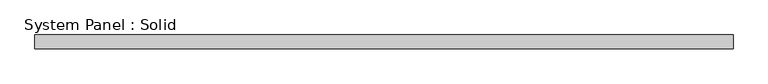
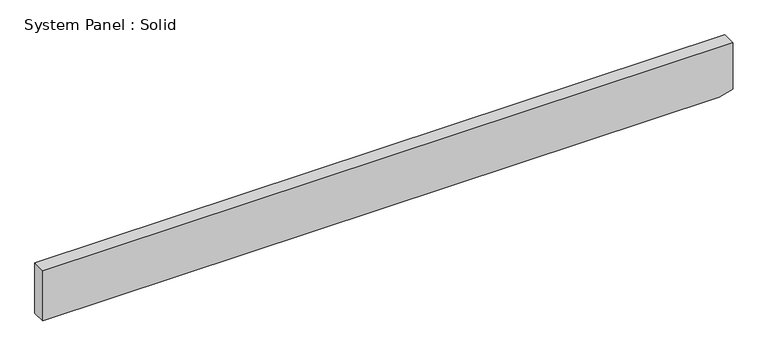
"""IFC4 building model written with IfcOpenShell, lengths in millimetres: plate geometry, System Panel : Solid."""

import ifcopenshell
import ifcopenshell.guid

model = None  # the IFC model being written
_history = None  # IfcOwnerHistory: only IFC2X3 demands one
_inside = {}  # id of a spatial element -> (the spatial element, [elements in it])
_under = {}  # id of a project, library or spatial element -> (it, [spatial elements below it])
_declared = {}  # id of a project -> (the project, [libraries it declares])
_typed = {}  # id of a type object -> (the type object, [elements of that type])
_made_of = {}  # id of a material, layer set ... -> (it, [elements and type objects made of it])


def new_model(schema):
    """Start an empty IFC model of exactly this schema.

    Asked for "IFC4X3", IfcOpenShell would pick the latest addendum, in which some entities
    have other attributes; the version numbers below select the first issue.
    IFC2X3 requires an IfcOwnerHistory on every rooted entity: one is made here for all.
    """
    global model, _history
    if schema == "IFC4X3":
        model = ifcopenshell.file(schema_version=(4, 3, 0, 0))
    else:
        model = ifcopenshell.file(schema=schema)
    _inside.clear()
    _under.clear()
    _declared.clear()
    _typed.clear()
    _made_of.clear()
    _history = None
    if model.schema == "IFC2X3":
        org = make("IfcOrganization", Name="unknown")
        user = make(
            "IfcPersonAndOrganization",
            ThePerson=make("IfcPerson", FamilyName="unknown"),
            TheOrganization=org,
        )
        app = make(
            "IfcApplication",
            ApplicationDeveloper=org,
            Version="unknown",
            ApplicationFullName="unknown",
            ApplicationIdentifier="unknown",
        )
        _history = make(
            "IfcOwnerHistory",
            OwningUser=user,
            OwningApplication=app,
            ChangeAction="ADDED",
            CreationDate=0,
        )
    return model


def make(cls, **values):
    """One entity of the class cls with the attributes given. An attribute that is None is left unset."""
    return model.create_entity(
        cls, **{name: value for name, value in values.items() if value is not None}
    )


def rooted(cls, **values):
    """An entity with a GlobalId (a new one), such as an element, a storey or a relation."""
    return make(cls, GlobalId=ifcopenshell.guid.new(), OwnerHistory=_history, **values)


def si_unit(unit_type, name, prefix=None):
    """IfcSIUnit, for example si_unit("LENGTHUNIT", "METRE", prefix="MILLI")."""
    return make("IfcSIUnit", UnitType=unit_type, Prefix=prefix, Name=name)


def assignment(units):
    """IfcUnitAssignment: the units of a project."""
    return None if units is None else make("IfcUnitAssignment", Units=units)


def point(xyz):
    """IfcCartesianPoint."""
    return None if xyz is None else make("IfcCartesianPoint", Coordinates=xyz)


def direction(xyz):
    """IfcDirection."""
    return None if xyz is None else make("IfcDirection", DirectionRatios=xyz)


def frame(location, z_axis=None, x_axis=None):
    """IfcAxis2Placement3D, a coordinate frame: its origin and axes. An axis left out is left unset."""
    return make(
        "IfcAxis2Placement3D",
        Location=point(location),
        Axis=direction(z_axis),
        RefDirection=direction(x_axis),
    )


def origin():
    """The frame at (0, 0, 0) with its axes left unset."""
    return frame((0.0, 0.0, 0.0))


def place(relative_to, where):
    """IfcLocalPlacement: puts the frame where relative to a parent placement (None: the world)."""
    return make(
        "IfcLocalPlacement", PlacementRelTo=relative_to, RelativePlacement=where
    )


def context(
    kind, dimensions, precision=None, world=None, true_north=None, identifier=None
):
    """IfcGeometricRepresentationContext, for example the 3D "Model" context."""
    return make(
        "IfcGeometricRepresentationContext",
        ContextIdentifier=identifier,
        ContextType=kind,
        CoordinateSpaceDimension=dimensions,
        Precision=precision,
        WorldCoordinateSystem=world,
        TrueNorth=true_north,
    )


def project(units=None, contexts=None):
    """IfcProject with its units and contexts."""
    return rooted(
        "IfcProject",
        Name="project",
        RepresentationContexts=contexts,
        UnitsInContext=assignment(units),
    )


def spatial(cls, under=None, at=None, **own):
    """A site, building, storey or space (cls), placed at a placement, below another one or the project."""
    s = rooted(cls, ObjectPlacement=at, **own)
    if under is not None:
        _under.setdefault(under.id(), (under, []))[1].append(s)
    return s


def polyline(points):
    """IfcPolyline through the points."""
    return make("IfcPolyline", Points=[point(p) for p in points])


def outline(outer, holes=None, kind="AREA"):
    """IfcArbitraryClosedProfileDef: a profile drawn as a closed curve; with holes, ...WithVoids."""
    if holes is None:
        return make("IfcArbitraryClosedProfileDef", ProfileType=kind, OuterCurve=outer)
    return make(
        "IfcArbitraryProfileDefWithVoids",
        ProfileType=kind,
        OuterCurve=outer,
        InnerCurves=holes,
    )


def extrude(swept, where, along, depth):
    """IfcExtrudedAreaSolid: the profile swept, set in the frame where, extruded along a direction by depth."""
    return make(
        "IfcExtrudedAreaSolid",
        SweptArea=swept,
        Position=where,
        ExtrudedDirection=direction(along),
        Depth=depth,
    )


def shape(context_of_items, identifier, shape_type, items):
    """IfcShapeRepresentation: the items that make up one representation, for example the "Body"."""
    return make(
        "IfcShapeRepresentation",
        ContextOfItems=context_of_items,
        RepresentationIdentifier=identifier,
        RepresentationType=shape_type,
        Items=items,
    )


def source(mapping_origin, context_of_items, identifier, shape_type, items):
    """IfcRepresentationMap: a shape defined once, which mapped items show again and again."""
    return make(
        "IfcRepresentationMap",
        MappingOrigin=mapping_origin,
        MappedRepresentation=shape(context_of_items, identifier, shape_type, items),
    )


def transform(
    local_origin,
    x_axis=None,
    y_axis=None,
    z_axis=None,
    scale=None,
    scale2=None,
    scale3=None,
    uniform=True,
):
    """IfcCartesianTransformationOperator3D, or its non-uniform kind. x_axis, y_axis, z_axis: its Axis1, 2, 3."""
    if uniform:
        return make(
            "IfcCartesianTransformationOperator3D",
            Axis1=direction(x_axis),
            Axis2=direction(y_axis),
            LocalOrigin=point(local_origin),
            Scale=scale,
            Axis3=direction(z_axis),
        )
    return make(
        "IfcCartesianTransformationOperator3DnonUniform",
        Axis1=direction(x_axis),
        Axis2=direction(y_axis),
        LocalOrigin=point(local_origin),
        Scale=scale,
        Axis3=direction(z_axis),
        Scale2=scale2,
        Scale3=scale3,
    )


def mapped(mapping_source, mapping_target):
    """IfcMappedItem: shows the shape of a source again, moved by a transform."""
    return make(
        "IfcMappedItem", MappingSource=mapping_source, MappingTarget=mapping_target
    )


def made_of(thing, what):
    """Note that an element or type object is made of a material, layer set ...; save() writes the relation."""
    if what is not None:
        _made_of.setdefault(what.id(), (what, []))[1].append(thing)
    return thing


def element(
    cls,
    number,
    at=None,
    inside=None,
    cuts=None,
    type_object=None,
    material=None,
    context=None,
    identifier="Body",
    shape_type=None,
    held_by="IfcProductDefinitionShape",
    body=None,
    shapes=None,
    **own,
):
    """One element of the class cls, such as IfcWall. Its Tag is "e" and its number.

    at: its placement. inside: the storey or other place that contains it. cuts: it is an
    opening in that element (IfcRelVoidsElement). A single representation is given by context,
    identifier, shape_type and body (its items); several are given by shapes. held_by: the class
    of the entity that holds the representations. save() writes the other relations.
    """
    e = rooted(cls, Tag="e%d" % number, ObjectPlacement=at, **own)
    if body is not None:
        shapes = [shape(context, identifier, shape_type, body)]
    if shapes is not None:
        e.Representation = make(held_by, Representations=shapes)
    if inside is not None:
        _inside.setdefault(inside.id(), (inside, []))[1].append(e)
    if cuts is not None:
        rooted(
            "IfcRelVoidsElement", RelatingBuildingElement=cuts, RelatedOpeningElement=e
        )
    if type_object is not None:
        _typed.setdefault(type_object.id(), (type_object, []))[1].append(e)
    return made_of(e, material)


def aggregate(whole, parts):
    """IfcRelAggregates: a whole, such as a stair, and the parts it consists of."""
    return rooted("IfcRelAggregates", RelatingObject=whole, RelatedObjects=parts)


def save(model, path):
    """Write the relations noted so far, then the file.

    IfcRelAggregates (storeys below a building ...), IfcRelContainedInSpatialStructure (elements
    in a storey), IfcRelDefinesByType, IfcRelAssociatesMaterial and IfcRelDeclares: one each for
    every whole, place, type object, material and project.
    """
    for whole, parts in _under.values():
        aggregate(whole, parts)
    for where, things in _inside.values():
        rooted(
            "IfcRelContainedInSpatialStructure",
            RelatedElements=things,
            RelatingStructure=where,
        )
    for kind, things in _typed.values():
        rooted("IfcRelDefinesByType", RelatedObjects=things, RelatingType=kind)
    for what, things in _made_of.values():
        rooted("IfcRelAssociatesMaterial", RelatedObjects=things, RelatingMaterial=what)
    for by, libraries in _declared.values():
        rooted("IfcRelDeclares", RelatingContext=by, RelatedDefinitions=libraries)
    model.write(path)


def system_panel_solid_48263640(model_context):
    return source(origin(), model_context, "Body", "SweptSolid", [
        extrude(outline(polyline([(0.0, -1500.0), (0.0, 1441.7433168), (17.5110094, 1500.0), (230.1077989, 1500.0), (230.1077989, -1500.0), (0.0, -1500.0)])), frame((0.0, -10.5, 0.0), z_axis=(0.0, 1.0, 0.0), x_axis=(0.0, 0.0, 1.0)), (0.0, 0.0, 1.0), 60.0),
    ])


if __name__ == "__main__":
    model = new_model("IFC4")
    model_context = context("Model", 3, world=origin())
    ifc_project = project(units=[si_unit("LENGTHUNIT", "METRE", prefix="MILLI")], contexts=[model_context])
    site = spatial("IfcSite", under=ifc_project)
    building = spatial("IfcBuilding", under=site)
    placement = place(None, origin())
    system_panel_solid_shape = system_panel_solid_48263640(model_context)
    element("IfcPlate", 1, ObjectType="System Panel : Solid", at=placement, inside=building, context=model_context, shape_type="MappedRepresentation", body=[
        mapped(system_panel_solid_shape, transform((0.0, 0.0, 0.0), x_axis=(1.0, 0.0, 0.0), y_axis=(0.0, 1.0, 0.0), z_axis=(0.0, 0.0, 1.0))),
    ])
    save(model, "model.ifc")
